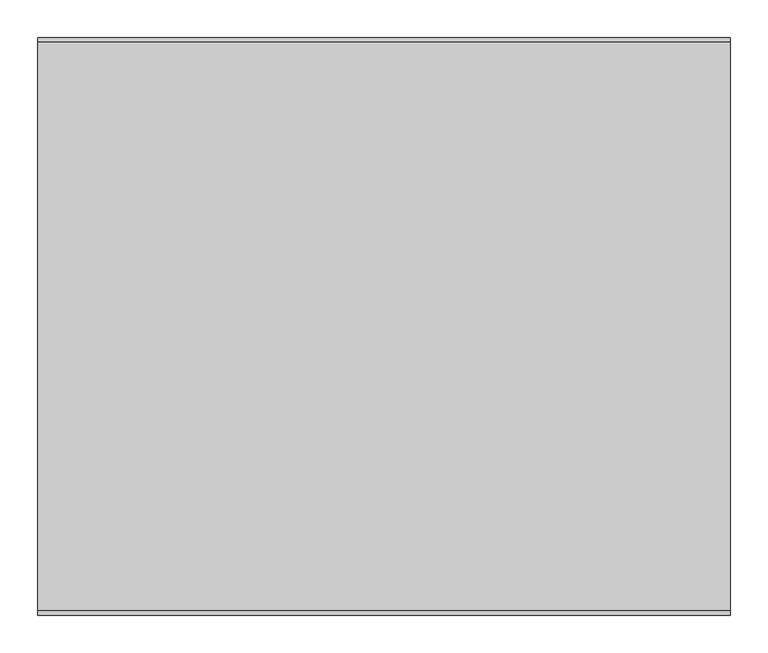
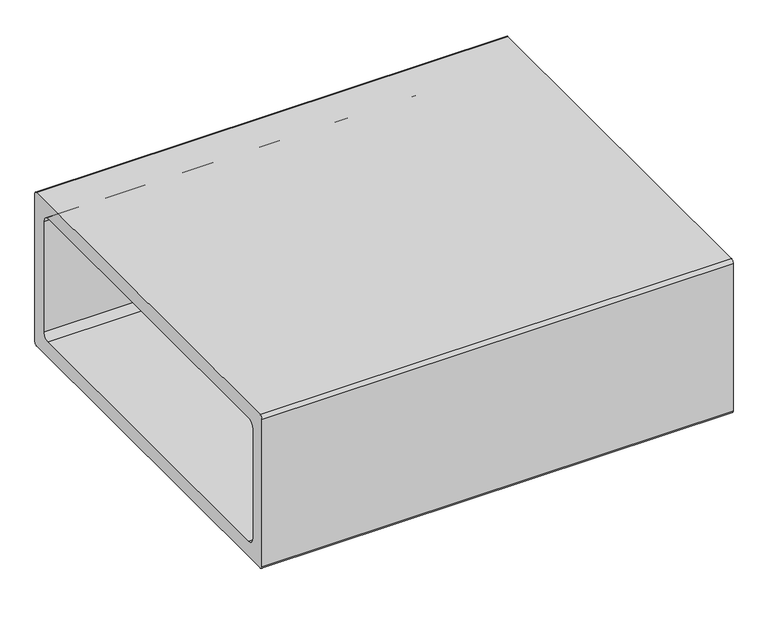
"""IFC4 building model written with IfcOpenShell, lengths in millimetres: furniture geometry."""

from ifc_helpers import new_model, si_unit, point, frame, frame_2d, origin, place, context, project, spatial, polyline, circle_curve, trimmed, segment, composite_curve, outline, extrude, faceted_brep, source, transform, mapped, element, save


def furniture_dd1ac562(model_context):
    return source(origin(), model_context, "Body", "SolidModel", [
        faceted_brep([(362.687495, 327.8342493, 25.4000008), (359.512489, 324.6592432, 25.4000008), (359.512489, 280.2092311, 25.4000008), (362.687495, 277.0342432, 25.4000008), (407.137489, 277.0342432, 25.4000008), (410.312495, 280.2092311, 25.4000008), (410.312495, 324.6592432, 25.4000008), (407.137489, 327.8342493, 25.4000008), (410.312495, 331.0092372, 0.0), (413.4874829, 327.8342493, 0.0), (413.4874829, 277.0342432, 0.0), (410.312495, 273.8592553, 0.0), (359.512489, 273.8592553, 0.0), (356.3374829, 277.0342432, 0.0), (356.3374829, 327.8342493, 0.0), (359.512489, 331.0092372, 0.0), (362.687495, 327.8342493, 3.1750001), (359.512489, 324.6592432, 3.1750001), (359.512489, 280.2092311, 3.1750001), (362.687495, 277.0342432, 3.1750001), (407.137489, 277.0342432, 3.1750001), (410.312495, 280.2092311, 3.1750001), (410.312495, 324.6592432, 3.1750001), (407.137489, 327.8342493, 3.1750001), (410.312495, 331.0092372, 3.1750001), (359.512489, 331.0092372, 3.1750001), (356.3374829, 327.8342493, 3.1750001), (356.3374829, 277.0342432, 3.1750001), (359.512489, 273.8592553, 3.1750001), (410.312495, 273.8592553, 3.1750001), (413.4874829, 277.0342432, 3.1750001), (413.4874829, 327.8342493, 3.1750001)], [[[0, 1, 2, 3, 4, 5, 6, 7]], [[8, 9, 10, 11, 12, 13, 14, 15]], [[1, 0, 16, 17]], [[2, 1, 17, 18]], [[3, 2, 18, 19]], [[4, 3, 19, 20]], [[5, 4, 20, 21]], [[6, 5, 21, 22]], [[7, 6, 22, 23]], [[0, 7, 23, 16]], [[24, 25, 26, 27, 28, 29, 30, 31], [17, 16, 23, 22, 21, 20, 19, 18]], [[25, 24, 8, 15]], [[26, 25, 15, 14]], [[27, 26, 14, 13]], [[28, 27, 13, 12]], [[29, 28, 12, 11]], [[30, 29, 11, 10]], [[31, 30, 10, 9]], [[24, 31, 9, 8]]]),
        faceted_brep([(-405.662511, 327.8342493, 25.4000008), (-408.8375171, 324.6592432, 25.4000008), (-408.8375171, 280.2092311, 25.4000008), (-405.662511, 277.0342432, 25.4000008), (-361.2125171, 277.0342432, 25.4000008), (-358.037511, 280.2092311, 25.4000008), (-358.037511, 324.6592432, 25.4000008), (-361.2125171, 327.8342493, 25.4000008), (-358.037511, 331.0092372, 0.0), (-354.8625231, 327.8342493, 0.0), (-354.8625231, 277.0342432, 0.0), (-358.037511, 273.8592553, 0.0), (-408.8375171, 273.8592553, 0.0), (-412.0125231, 277.0342432, 0.0), (-412.0125231, 327.8342493, 0.0), (-408.8375171, 331.0092372, 0.0), (-405.662511, 327.8342493, 3.1750001), (-408.8375171, 324.6592432, 3.1750001), (-408.8375171, 280.2092311, 3.1750001), (-405.662511, 277.0342432, 3.1750001), (-361.2125171, 277.0342432, 3.1750001), (-358.037511, 280.2092311, 3.1750001), (-358.037511, 324.6592432, 3.1750001), (-361.2125171, 327.8342493, 3.1750001), (-358.037511, 331.0092372, 3.1750001), (-408.8375171, 331.0092372, 3.1750001), (-412.0125231, 327.8342493, 3.1750001), (-412.0125231, 277.0342432, 3.1750001), (-408.8375171, 273.8592553, 3.1750001), (-358.037511, 273.8592553, 3.1750001), (-354.8625231, 277.0342432, 3.1750001), (-354.8625231, 327.8342493, 3.1750001)], [[[0, 1, 2, 3, 4, 5, 6, 7]], [[8, 9, 10, 11, 12, 13, 14, 15]], [[1, 0, 16, 17]], [[2, 1, 17, 18]], [[3, 2, 18, 19]], [[4, 3, 19, 20]], [[5, 4, 20, 21]], [[6, 5, 21, 22]], [[7, 6, 22, 23]], [[0, 7, 23, 16]], [[24, 25, 26, 27, 28, 29, 30, 31], [17, 16, 23, 22, 21, 20, 19, 18]], [[25, 24, 8, 15]], [[26, 25, 15, 14]], [[27, 26, 14, 13]], [[28, 27, 13, 12]], [[29, 28, 12, 11]], [[30, 29, 11, 10]], [[31, 30, 10, 9]], [[24, 31, 9, 8]]]),
        faceted_brep([(-358.037511, -284.9407568, 3.1750001), (-408.8375171, -284.9407568, 3.1750001), (-412.0125231, -288.1157447, 3.1750001), (-412.0125231, -338.9157507, 3.1750001), (-408.8375171, -342.0907386, 3.1750001), (-358.037511, -342.0907386, 3.1750001), (-354.8625231, -338.9157507, 3.1750001), (-354.8625231, -288.1157447, 3.1750001), (-408.8375171, -291.2907507, 3.1750001), (-405.662511, -288.1157447, 3.1750001), (-361.2125171, -288.1157447, 3.1750001), (-358.037511, -291.2907507, 3.1750001), (-358.037511, -335.7407628, 3.1750001), (-361.2125171, -338.9157507, 3.1750001), (-405.662511, -338.9157507, 3.1750001), (-408.8375171, -335.7407628, 3.1750001), (-358.037511, -284.9407568, 0.0), (-354.8625231, -288.1157447, 0.0), (-354.8625231, -338.9157507, 0.0), (-358.037511, -342.0907386, 0.0), (-408.8375171, -342.0907386, 0.0), (-412.0125231, -338.9157507, 0.0), (-412.0125231, -288.1157447, 0.0), (-408.8375171, -284.9407568, 0.0), (-405.662511, -288.1157447, 25.4000008), (-408.8375171, -291.2907507, 25.4000008), (-408.8375171, -335.7407628, 25.4000008), (-405.662511, -338.9157507, 25.4000008), (-361.2125171, -338.9157507, 25.4000008), (-358.037511, -335.7407628, 25.4000008), (-358.037511, -291.2907507, 25.4000008), (-361.2125171, -288.1157447, 25.4000008)], [[[0, 1, 2, 3, 4, 5, 6, 7], [8, 9, 10, 11, 12, 13, 14, 15]], [[16, 17, 18, 19, 20, 21, 22, 23]], [[1, 0, 16, 23]], [[2, 1, 23, 22]], [[3, 2, 22, 21]], [[4, 3, 21, 20]], [[5, 4, 20, 19]], [[6, 5, 19, 18]], [[7, 6, 18, 17]], [[0, 7, 17, 16]], [[24, 25, 26, 27, 28, 29, 30, 31]], [[25, 24, 9, 8]], [[26, 25, 8, 15]], [[27, 26, 15, 14]], [[28, 27, 14, 13]], [[29, 28, 13, 12]], [[30, 29, 12, 11]], [[31, 30, 11, 10]], [[24, 31, 10, 9]]]),
        faceted_brep([(362.687495, -288.1157447, 25.4000008), (359.512489, -291.2907507, 25.4000008), (359.512489, -335.7407628, 25.4000008), (362.687495, -338.9157507, 25.4000008), (407.137489, -338.9157507, 25.4000008), (410.312495, -335.7407628, 25.4000008), (410.312495, -291.2907507, 25.4000008), (407.137489, -288.1157447, 25.4000008), (410.312495, -284.9407568, 0.0), (413.4874829, -288.1157447, 0.0), (413.4874829, -338.9157507, 0.0), (410.312495, -342.0907386, 0.0), (359.512489, -342.0907386, 0.0), (356.3374829, -338.9157507, 0.0), (356.3374829, -288.1157447, 0.0), (359.512489, -284.9407568, 0.0), (362.687495, -288.1157447, 3.1750001), (359.512489, -291.2907507, 3.1750001), (359.512489, -335.7407628, 3.1750001), (362.687495, -338.9157507, 3.1750001), (407.137489, -338.9157507, 3.1750001), (410.312495, -335.7407628, 3.1750001), (410.312495, -291.2907507, 3.1750001), (407.137489, -288.1157447, 3.1750001), (410.312495, -284.9407568, 3.1750001), (359.512489, -284.9407568, 3.1750001), (356.3374829, -288.1157447, 3.1750001), (356.3374829, -338.9157507, 3.1750001), (359.512489, -342.0907386, 3.1750001), (410.312495, -342.0907386, 3.1750001), (413.4874829, -338.9157507, 3.1750001), (413.4874829, -288.1157447, 3.1750001)], [[[0, 1, 2, 3, 4, 5, 6, 7]], [[8, 9, 10, 11, 12, 13, 14, 15]], [[1, 0, 16, 17]], [[2, 1, 17, 18]], [[3, 2, 18, 19]], [[4, 3, 19, 20]], [[5, 4, 20, 21]], [[6, 5, 21, 22]], [[7, 6, 22, 23]], [[0, 7, 23, 16]], [[24, 25, 26, 27, 28, 29, 30, 31], [17, 16, 23, 22, 21, 20, 19, 18]], [[25, 24, 8, 15]], [[26, 25, 15, 14]], [[27, 26, 14, 13]], [[28, 27, 13, 12]], [[29, 28, 12, 11]], [[30, 29, 11, 10]], [[31, 30, 10, 9]], [[24, 31, 9, 8]]]),
        extrude(outline(composite_curve([segment(trimmed(circle_curve(frame_2d((373.7950592, 336.55)), 6.35), [point((373.7950592, 342.9))], [point((380.1450592, 336.55))], False, "CARTESIAN"), True, "CONTINUOUS"), segment(polyline([(380.1450592, 336.55), (380.1450592, 31.7500008)]), True, "CONTINUOUS"), segment(trimmed(circle_curve(frame_2d((373.7950592, 31.7500008)), 6.35), [point((380.1450592, 31.7500008))], [point((373.7950592, 25.4000008))], False, "CARTESIAN"), True, "CONTINUOUS"), segment(polyline([(373.7950592, 25.4000008), (-381.8549408, 25.4000008)]), True, "CONTINUOUS"), segment(trimmed(circle_curve(frame_2d((-381.8549408, 31.7500008)), 6.35), [point((-381.8549408, 25.4000008))], [point((-388.2049408, 31.7500008))], False, "CARTESIAN"), True, "CONTINUOUS"), segment(polyline([(-388.2049408, 31.7500008), (-388.2049408, 336.55)]), True, "CONTINUOUS"), segment(trimmed(circle_curve(frame_2d((-381.8549408, 336.55)), 6.35), [point((-388.2049408, 336.55))], [point((-381.8549408, 342.9))], False, "CARTESIAN"), True, "CONTINUOUS"), segment(polyline([(-381.8549408, 342.9), (373.7950592, 342.9)]), True, "CONTINUOUS")], self_intersect=False), holes=[composite_curve([segment(trimmed(circle_curve(frame_2d((-343.7549408, 298.510531)), 12.7), [point((-343.7549408, 311.210531))], [point((-356.4549408, 298.510531))], True, "CARTESIAN"), True, "CONTINUOUS"), segment(polyline([(-356.4549408, 298.510531), (-356.4549408, 69.9105189)]), True, "CONTINUOUS"), segment(trimmed(circle_curve(frame_2d((-343.7549408, 69.9105189)), 12.7), [point((-356.4549408, 69.9105189))], [point((-343.7549408, 57.2105189))], True, "CARTESIAN"), True, "CONTINUOUS"), segment(polyline([(-343.7549408, 57.2105189), (335.6950592, 57.2105189)]), True, "CONTINUOUS"), segment(trimmed(circle_curve(frame_2d((335.6950592, 69.9105189)), 12.7), [point((335.6950592, 57.2105189))], [point((348.3950592, 69.9105189))], True, "CARTESIAN"), True, "CONTINUOUS"), segment(polyline([(348.3950592, 69.9105189), (348.3950592, 298.510531)]), True, "CONTINUOUS"), segment(trimmed(circle_curve(frame_2d((335.6950592, 298.510531)), 12.7), [point((348.3950592, 298.510531))], [point((335.6950592, 311.210531))], True, "CARTESIAN"), True, "CONTINUOUS"), segment(polyline([(335.6950592, 311.210531), (-343.7549408, 311.210531)]), True, "CONTINUOUS")], self_intersect=False)]), frame((-460.375, 0.0, 0.0), z_axis=(1.0, 0.0, 0.0), x_axis=(0.0, 1.0, 0.0)), (0.0, 0.0, 1.0), 920.75),
    ])


if __name__ == "__main__":
    model = new_model("IFC4")
    model_context = context("Model", 3, world=origin())
    ifc_project = project(units=[si_unit("LENGTHUNIT", "METRE", prefix="MILLI")], contexts=[model_context])
    site = spatial("IfcSite", under=ifc_project)
    building = spatial("IfcBuilding", under=site)
    placement = place(None, origin())
    furniture_shape = furniture_dd1ac562(model_context)
    element("IfcFurniture", 1, at=placement, inside=building, context=model_context, shape_type="MappedRepresentation", body=[
        mapped(furniture_shape, transform((0.0, 0.0, 0.0), x_axis=(1.0, 0.0, 0.0), y_axis=(0.0, 1.0, 0.0), z_axis=(0.0, 0.0, 1.0))),
    ])
    save(model, "model.ifc")
